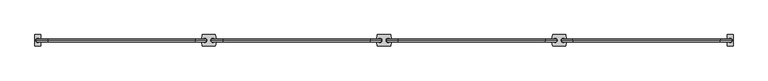
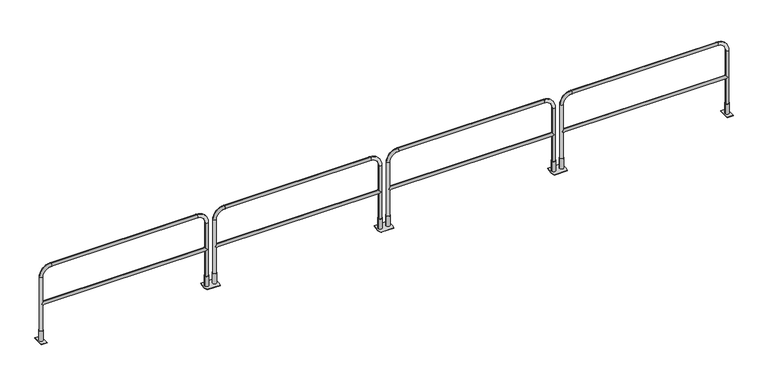
"""IFC4 building model written with IfcOpenShell, lengths in millimetres: railing geometry."""

from ifc_helpers import new_model, si_unit, point, frame, frame_2d, origin, origin_with_axes, place, context, project, spatial, polyline, circle_curve, ellipse_curve, trimmed, segment, composite_curve, outline, extrude, source, transform, mapped, element, save
from ifc_brep_helpers import plane_surface, cylinder_surface, revolved_surface, advanced_brep


def railing_99f3a7a2(model_context):
    return source(origin(), model_context, "Body", "SolidModel", [
        extrude(outline(composite_curve([segment(trimmed(circle_curve(frame_2d((67475.572395, 12393.0551937)), 304.8), [point((67770.693726, 12469.2551937))], [point((67770.693726, 12316.8551937))], False, "CARTESIAN"), True, "CONTINUOUS"), segment(polyline([(67770.693726, 12316.8551937), (67592.893726, 12316.8551937)]), True, "CONTINUOUS"), segment(trimmed(circle_curve(frame_2d((67888.015057, 12393.0551937)), 304.8), [point((67592.893726, 12316.8551937))], [point((67592.893726, 12469.2551937))], False, "CARTESIAN"), True, "CONTINUOUS"), segment(polyline([(67592.893726, 12469.2551937), (67770.693726, 12469.2551937)]), True, "CONTINUOUS")], self_intersect=False)), origin_with_axes(), (0.0, 0.0, 1.0), 6.35),
        extrude(outline(composite_curve([segment(trimmed(circle_curve(frame_2d((67735.6752627, 12393.0551937)), 26.9875), [point((67708.6877627, 12393.0551937))], [point((67762.6627627, 12393.0551937))], False, "CARTESIAN"), True, "CONTINUOUS"), segment(trimmed(circle_curve(frame_2d((67735.6752627, 12393.0551937)), 26.9875), [point((67762.6627627, 12393.0551937))], [point((67708.6877627, 12393.0551937))], False, "CARTESIAN"), True, "CONTINUOUS")], self_intersect=False), holes=[composite_curve([segment(trimmed(circle_curve(frame_2d((67735.6752627, 12393.0551937)), 20.6375), [point((67715.0377627, 12393.0551937))], [point((67756.3127627, 12393.0551937))], True, "CARTESIAN"), True, "CONTINUOUS"), segment(trimmed(circle_curve(frame_2d((67735.6752627, 12393.0551937)), 20.6375), [point((67756.3127627, 12393.0551937))], [point((67715.0377627, 12393.0551937))], True, "CARTESIAN"), True, "CONTINUOUS")], self_intersect=False)]), frame((0.0, 0.0, 6.35), z_axis=(0.0, 0.0, 1.0), x_axis=(1.0, 0.0, 0.0)), (0.0, 0.0, 1.0), 146.05),
        extrude(outline(composite_curve([segment(trimmed(circle_curve(frame_2d((67627.9121893, 12393.0551937)), 26.9875), [point((67600.9246893, 12393.0551937))], [point((67654.8996893, 12393.0551937))], False, "CARTESIAN"), True, "CONTINUOUS"), segment(trimmed(circle_curve(frame_2d((67627.9121893, 12393.0551937)), 26.9875), [point((67654.8996893, 12393.0551937))], [point((67600.9246893, 12393.0551937))], False, "CARTESIAN"), True, "CONTINUOUS")], self_intersect=False), holes=[composite_curve([segment(trimmed(circle_curve(frame_2d((67627.9121893, 12393.0551937)), 20.6375), [point((67607.2746893, 12393.0551937))], [point((67648.5496893, 12393.0551937))], True, "CARTESIAN"), True, "CONTINUOUS"), segment(trimmed(circle_curve(frame_2d((67627.9121893, 12393.0551937)), 20.6375), [point((67648.5496893, 12393.0551937))], [point((67607.2746893, 12393.0551937))], True, "CARTESIAN"), True, "CONTINUOUS")], self_intersect=False)]), frame((0.0, 0.0, 6.35), z_axis=(0.0, 0.0, 1.0), x_axis=(1.0, 0.0, 0.0)), (0.0, 0.0, 1.0), 146.05),
        extrude(outline(composite_curve([segment(polyline([(69945.3817994, 12469.2551937), (70123.1817994, 12469.2551937)]), True, "CONTINUOUS"), segment(trimmed(circle_curve(frame_2d((69828.0604685, 12393.0551937)), 304.8), [point((70123.1817994, 12469.2551937))], [point((70123.1817994, 12316.8551937))], False, "CARTESIAN"), True, "CONTINUOUS"), segment(polyline([(70123.1817994, 12316.8551937), (69945.3817994, 12316.8551937)]), True, "CONTINUOUS"), segment(trimmed(circle_curve(frame_2d((70240.5031304, 12393.0551937)), 304.8), [point((69945.3817994, 12316.8551937))], [point((69945.3817994, 12469.2551937))], False, "CARTESIAN"), True, "CONTINUOUS")], self_intersect=False)), origin_with_axes(), (0.0, 0.0, 1.0), 6.35),
        extrude(outline(composite_curve([segment(trimmed(circle_curve(frame_2d((69980.4002627, 12393.0551937)), 26.9875), [point((70007.3877627, 12393.0551937))], [point((69953.4127627, 12393.0551937))], False, "CARTESIAN"), True, "CONTINUOUS"), segment(trimmed(circle_curve(frame_2d((69980.4002627, 12393.0551937)), 26.9875), [point((69953.4127627, 12393.0551937))], [point((70007.3877627, 12393.0551937))], False, "CARTESIAN"), True, "CONTINUOUS")], self_intersect=False), holes=[composite_curve([segment(trimmed(circle_curve(frame_2d((69980.4002627, 12393.0551937)), 20.6375), [point((70001.0377627, 12393.0551937))], [point((69959.7627627, 12393.0551937))], True, "CARTESIAN"), True, "CONTINUOUS"), segment(trimmed(circle_curve(frame_2d((69980.4002627, 12393.0551937)), 20.6375), [point((69959.7627627, 12393.0551937))], [point((70001.0377627, 12393.0551937))], True, "CARTESIAN"), True, "CONTINUOUS")], self_intersect=False)]), frame((0.0, 0.0, 6.35), z_axis=(0.0, 0.0, 1.0), x_axis=(1.0, 0.0, 0.0)), (0.0, 0.0, 1.0), 146.05),
        extrude(outline(composite_curve([segment(trimmed(circle_curve(frame_2d((70088.1633362, 12393.0551937)), 26.9875), [point((70115.1508362, 12393.0551937))], [point((70061.1758362, 12393.0551937))], False, "CARTESIAN"), True, "CONTINUOUS"), segment(trimmed(circle_curve(frame_2d((70088.1633362, 12393.0551937)), 26.9875), [point((70061.1758362, 12393.0551937))], [point((70115.1508362, 12393.0551937))], False, "CARTESIAN"), True, "CONTINUOUS")], self_intersect=False), holes=[composite_curve([segment(trimmed(circle_curve(frame_2d((70088.1633362, 12393.0551937)), 20.6375), [point((70108.8008362, 12393.0551937))], [point((70067.5258362, 12393.0551937))], True, "CARTESIAN"), True, "CONTINUOUS"), segment(trimmed(circle_curve(frame_2d((70088.1633362, 12393.0551937)), 20.6375), [point((70067.5258362, 12393.0551937))], [point((70108.8008362, 12393.0551937))], True, "CARTESIAN"), True, "CONTINUOUS")], self_intersect=False)]), frame((0.0, 0.0, 6.35), z_axis=(0.0, 0.0, 1.0), x_axis=(1.0, 0.0, 0.0)), (0.0, 0.0, 1.0), 146.05),
        advanced_brep(
        [(67756.3127627, 12393.0551937, 554.0375), (67735.6752627, 12372.4176937, 533.4), (67756.3127627, 12393.0551937, 512.7625), (69959.7627627, 12393.0551937, 512.7625), (69980.4002627, 12372.4176937, 533.4), (69959.7627627, 12393.0551937, 554.0375), (69980.4002627, 12413.6926937, 533.4), (67735.6752627, 12413.6926937, 533.4), (67715.0377627, 12393.0551937, 6.35), (67756.3127627, 12393.0551937, 6.35), (67756.3127627, 12393.0551937, 914.4), (67715.0377627, 12393.0551937, 914.4), (67867.4377627, 12393.0551937, 1025.525), (67867.4377627, 12393.0551937, 1066.8), (69848.6377627, 12393.0551937, 1025.525), (69848.6377627, 12393.0551937, 1066.8), (69959.7627627, 12393.0551937, 914.4), (70001.0377627, 12393.0551937, 914.4), (70001.0377627, 12393.0551937, 6.35), (69959.7627627, 12393.0551937, 6.35)],
        [
            (0, 1, ellipse_curve(frame((67735.6752627, 12393.0551937, 533.4), z_axis=(0.7071067811865475, 0.0, -0.7071067811865475), x_axis=(-0.7071067811865476, 0.0, -0.7071067811865474)), 29.1858324, 20.6375)),
            (1, 2, ellipse_curve(frame((67735.6752627, 12393.0551937, 533.4), z_axis=(0.7071067811865475, 0.0, 0.7071067811865475), x_axis=(-0.7071067811865476, 0.0, 0.7071067811865474)), 29.1858324, 20.6375)),
            (2, 3),
            (3, 4, ellipse_curve(frame((69980.4002627, 12393.0551937, 533.4), z_axis=(-0.7071067811865475, 0.0, 0.7071067811865475), x_axis=(-0.7071067811865476, 0.0, -0.7071067811865474)), 29.1858324, 20.6375)),
            (4, 5, ellipse_curve(frame((69980.4002627, 12393.0551937, 533.4), z_axis=(-0.7071067811865475, 0.0, -0.7071067811865475), x_axis=(-0.7071067811865476, 0.0, 0.7071067811865474)), 29.1858324, 20.6375)),
            (5, 0),
            (5, 6, ellipse_curve(frame((69980.4002627, 12393.0551937, 533.4), z_axis=(-0.7071067811865475, 0.0, -0.7071067811865475), x_axis=(-0.7071067811865476, 0.0, 0.7071067811865474)), 29.1858324, 20.6375)),
            (6, 3, ellipse_curve(frame((69980.4002627, 12393.0551937, 533.4), z_axis=(-0.7071067811865475, 0.0, 0.7071067811865475), x_axis=(-0.7071067811865476, 0.0, -0.7071067811865474)), 29.1858324, 20.6375)),
            (2, 7, ellipse_curve(frame((67735.6752627, 12393.0551937, 533.4), z_axis=(0.7071067811865475, 0.0, 0.7071067811865475), x_axis=(-0.7071067811865476, 0.0, 0.7071067811865474)), 29.1858324, 20.6375)),
            (7, 0, ellipse_curve(frame((67735.6752627, 12393.0551937, 533.4), z_axis=(0.7071067811865475, 0.0, -0.7071067811865475), x_axis=(-0.7071067811865476, 0.0, -0.7071067811865474)), 29.1858324, 20.6375)),
            (8, 9, circle_curve(frame((67735.6752627, 12393.0551937, 6.35), z_axis=(0.0, 0.0, -1.0), x_axis=(1.0, 0.0, 0.0)), 20.6375)),
            (9, 8, circle_curve(frame((67735.6752627, 12393.0551937, 6.35), z_axis=(0.0, 0.0, -1.0), x_axis=(1.0, 0.0, 0.0)), 20.6375)),
            (9, 2),
            (0, 10),
            (10, 11, circle_curve(frame((67735.6752627, 12393.0551937, 914.4), z_axis=(0.0, 0.0, -1.0), x_axis=(1.0, 0.0, 0.0)), 20.6375)),
            (11, 8),
            (11, 10, circle_curve(frame((67735.6752627, 12393.0551937, 914.4), z_axis=(0.0, 0.0, -1.0), x_axis=(1.0, 0.0, 0.0)), 20.6375)),
            (10, 12, circle_curve(frame((67867.4377627, 12393.0551937, 914.4), z_axis=(0.0, 1.0, 0.0), x_axis=(-1.0, 0.0, 0.0)), 111.125)),
            (12, 13, circle_curve(frame((67867.4377627, 12393.0551937, 1046.1625), z_axis=(-1.0, 0.0, 0.0), x_axis=(0.0, 0.0, -1.0)), 20.6375)),
            (13, 11, circle_curve(frame((67867.4377627, 12393.0551937, 914.4), z_axis=(0.0, -1.0, 0.0), x_axis=(-1.0, 0.0, 0.0)), 152.4)),
            (13, 12, circle_curve(frame((67867.4377627, 12393.0551937, 1046.1625), z_axis=(-1.0, 0.0, 0.0), x_axis=(0.0, 0.0, -1.0)), 20.6375)),
            (12, 14),
            (14, 15, circle_curve(frame((69848.6377627, 12393.0551937, 1046.1625), z_axis=(-1.0, 0.0, 0.0), x_axis=(0.0, 0.0, -1.0)), 20.6375)),
            (15, 13),
            (15, 14, circle_curve(frame((69848.6377627, 12393.0551937, 1046.1625), z_axis=(-1.0, 0.0, 0.0), x_axis=(0.0, 0.0, -1.0)), 20.6375)),
            (14, 16, circle_curve(frame((69848.6377627, 12393.0551937, 914.4), z_axis=(0.0, 1.0, 0.0), x_axis=(0.0, 0.0, 1.0)), 111.125)),
            (16, 17, circle_curve(frame((69980.4002627, 12393.0551937, 914.4), z_axis=(0.0, 0.0, 1.0), x_axis=(-1.0, 0.0, 0.0)), 20.6375)),
            (17, 15, circle_curve(frame((69848.6377627, 12393.0551937, 914.4), z_axis=(0.0, -1.0, 0.0), x_axis=(0.0, 0.0, 1.0)), 152.4)),
            (17, 16, circle_curve(frame((69980.4002627, 12393.0551937, 914.4), z_axis=(0.0, 0.0, 1.0), x_axis=(-1.0, 0.0, 0.0)), 20.6375)),
            (18, 19, circle_curve(frame((69980.4002627, 12393.0551937, 6.35), z_axis=(0.0, 0.0, -1.0), x_axis=(-1.0, 0.0, 0.0)), 20.6375)),
            (19, 18, circle_curve(frame((69980.4002627, 12393.0551937, 6.35), z_axis=(0.0, 0.0, -1.0), x_axis=(-1.0, 0.0, 0.0)), 20.6375)),
            (16, 5),
            (3, 19),
            (18, 17),
        ],
        [
            cylinder_surface(frame((67735.6752627, 12393.0551937, 533.4), z_axis=(-1.0, 0.0, 0.0), x_axis=(0.0, 0.0, -1.0)), 20.6375),
            plane_surface(frame((67715.0377627, 12393.0551937, 6.35), z_axis=(0.0, 0.0, -1.0), x_axis=(0.0, -1.0, 0.0))),
            cylinder_surface(frame((67735.6752627, 12393.0551937, 6.35), z_axis=(0.0, 0.0, -1.0), x_axis=(1.0, 0.0, 0.0)), 20.6375),
            revolved_surface(trimmed(ellipse_curve(frame((67735.6752627, 12393.0551937, 914.4), z_axis=(0.0, 0.0, 1.0), x_axis=(1.0, 0.0, 0.0)), 20.6375, 20.6375), [point((67715.0377627, 12393.0551937, 914.4))], [point((67756.3127627, 12393.0551937, 914.4))], True, "CARTESIAN"), (67867.4377627, 12393.0551937, 914.4), (0.0, -1.0, 0.0)),
            revolved_surface(trimmed(ellipse_curve(frame((67735.6752627, 12393.0551937, 914.4), z_axis=(0.0, 0.0, 1.0), x_axis=(1.0, 0.0, 0.0)), 20.6375, 20.6375), [point((67756.3127627, 12393.0551937, 914.4))], [point((67715.0377627, 12393.0551937, 914.4))], True, "CARTESIAN"), (67867.4377627, 12393.0551937, 914.4), (0.0, -1.0, 0.0)),
            cylinder_surface(frame((67867.4377627, 12393.0551937, 1046.1625), z_axis=(-1.0, 0.0, 0.0), x_axis=(0.0, 0.0, -1.0)), 20.6375),
            revolved_surface(trimmed(ellipse_curve(frame((69848.6377627, 12393.0551937, 1046.1625), z_axis=(1.0, 0.0, 0.0), x_axis=(0.0, 0.0, -1.0)), 20.6375, 20.6375), [point((69848.6377627, 12393.0551937, 1066.8))], [point((69848.6377627, 12393.0551937, 1025.525))], True, "CARTESIAN"), (69848.6377627, 12393.0551937, 914.4), (0.0, -1.0, 0.0)),
            revolved_surface(trimmed(ellipse_curve(frame((69848.6377627, 12393.0551937, 1046.1625), z_axis=(1.0, 0.0, 0.0), x_axis=(0.0, 0.0, -1.0)), 20.6375, 20.6375), [point((69848.6377627, 12393.0551937, 1025.525))], [point((69848.6377627, 12393.0551937, 1066.8))], True, "CARTESIAN"), (69848.6377627, 12393.0551937, 914.4), (0.0, -1.0, 0.0)),
            plane_surface(frame((70001.0377627, 12393.0551937, 6.35), z_axis=(0.0, 0.0, -1.0), x_axis=(0.0, -1.0, 0.0))),
            cylinder_surface(frame((69980.4002627, 12393.0551937, 914.4), z_axis=(0.0, 0.0, 1.0), x_axis=(-1.0, 0.0, 0.0)), 20.6375),
        ],
        [
            (0, [[1, 2, 3, 4, 5, 6]]),
            (0, [[7, 8, -3, 9, 10, -6]]),
            (1, [[11, 12]]),
            (2, [[13, -2, -1, 14, 15, 16, -12]]),
            (2, [[-16, 17, -14, -10, -9, -13, -11]]),
            (3, [[18, 19, 20, -15]]),
            (4, [[-20, 21, -18, -17]]),
            (5, [[22, 23, 24, -19]]),
            (5, [[-24, 25, -22, -21]]),
            (6, [[26, 27, 28, -23]]),
            (7, [[-28, 29, -26, -25]]),
            (8, [[30, 31]]),
            (9, [[32, -5, -4, 33, -30, 34, -27]]),
            (9, [[-34, -31, -33, -8, -7, -32, -29]]),
        ],
    ),
        extrude(outline(composite_curve([segment(trimmed(circle_curve(frame_2d((65123.0958325, 12393.0551937)), 304.8), [point((65418.2171635, 12469.2551937))], [point((65418.2171635, 12316.8551937))], False, "CARTESIAN"), True, "CONTINUOUS"), segment(polyline([(65418.2171635, 12316.8551937), (65240.4171635, 12316.8551937)]), True, "CONTINUOUS"), segment(trimmed(circle_curve(frame_2d((65535.5384945, 12393.0551937)), 304.8), [point((65240.4171635, 12316.8551937))], [point((65240.4171635, 12469.2551937))], False, "CARTESIAN"), True, "CONTINUOUS"), segment(polyline([(65240.4171635, 12469.2551937), (65418.2171635, 12469.2551937)]), True, "CONTINUOUS")], self_intersect=False)), origin_with_axes(), (0.0, 0.0, 1.0), 6.35),
        extrude(outline(composite_curve([segment(trimmed(circle_curve(frame_2d((65383.1987002, 12393.0551937)), 26.9875), [point((65356.2112002, 12393.0551937))], [point((65410.1862002, 12393.0551937))], False, "CARTESIAN"), True, "CONTINUOUS"), segment(trimmed(circle_curve(frame_2d((65383.1987002, 12393.0551937)), 26.9875), [point((65410.1862002, 12393.0551937))], [point((65356.2112002, 12393.0551937))], False, "CARTESIAN"), True, "CONTINUOUS")], self_intersect=False), holes=[composite_curve([segment(trimmed(circle_curve(frame_2d((65383.1987002, 12393.0551937)), 20.6375), [point((65362.5612002, 12393.0551937))], [point((65403.8362002, 12393.0551937))], True, "CARTESIAN"), True, "CONTINUOUS"), segment(trimmed(circle_curve(frame_2d((65383.1987002, 12393.0551937)), 20.6375), [point((65403.8362002, 12393.0551937))], [point((65362.5612002, 12393.0551937))], True, "CARTESIAN"), True, "CONTINUOUS")], self_intersect=False)]), frame((0.0, 0.0, 6.35), z_axis=(0.0, 0.0, 1.0), x_axis=(1.0, 0.0, 0.0)), (0.0, 0.0, 1.0), 146.05),
        extrude(outline(composite_curve([segment(trimmed(circle_curve(frame_2d((65275.4356268, 12393.0551937)), 26.9875), [point((65248.4481268, 12393.0551937))], [point((65302.4231268, 12393.0551937))], False, "CARTESIAN"), True, "CONTINUOUS"), segment(trimmed(circle_curve(frame_2d((65275.4356268, 12393.0551937)), 26.9875), [point((65302.4231268, 12393.0551937))], [point((65248.4481268, 12393.0551937))], False, "CARTESIAN"), True, "CONTINUOUS")], self_intersect=False), holes=[composite_curve([segment(trimmed(circle_curve(frame_2d((65275.4356268, 12393.0551937)), 20.6375), [point((65254.7981268, 12393.0551937))], [point((65296.0731268, 12393.0551937))], True, "CARTESIAN"), True, "CONTINUOUS"), segment(trimmed(circle_curve(frame_2d((65275.4356268, 12393.0551937)), 20.6375), [point((65296.0731268, 12393.0551937))], [point((65254.7981268, 12393.0551937))], True, "CARTESIAN"), True, "CONTINUOUS")], self_intersect=False)]), frame((0.0, 0.0, 6.35), z_axis=(0.0, 0.0, 1.0), x_axis=(1.0, 0.0, 0.0)), (0.0, 0.0, 1.0), 146.05),
        extrude(outline(composite_curve([segment(polyline([(67592.9052369, 12469.2551937), (67770.7052369, 12469.2551937)]), True, "CONTINUOUS"), segment(trimmed(circle_curve(frame_2d((67475.583906, 12393.0551937)), 304.8), [point((67770.7052369, 12469.2551937))], [point((67770.7052369, 12316.8551937))], False, "CARTESIAN"), True, "CONTINUOUS"), segment(polyline([(67770.7052369, 12316.8551937), (67592.9052369, 12316.8551937)]), True, "CONTINUOUS"), segment(trimmed(circle_curve(frame_2d((67888.0265679, 12393.0551937)), 304.8), [point((67592.9052369, 12316.8551937))], [point((67592.9052369, 12469.2551937))], False, "CARTESIAN"), True, "CONTINUOUS")], self_intersect=False)), origin_with_axes(), (0.0, 0.0, 1.0), 6.35),
        extrude(outline(composite_curve([segment(trimmed(circle_curve(frame_2d((67627.9237002, 12393.0551937)), 26.9875), [point((67654.9112002, 12393.0551937))], [point((67600.9362002, 12393.0551937))], False, "CARTESIAN"), True, "CONTINUOUS"), segment(trimmed(circle_curve(frame_2d((67627.9237002, 12393.0551937)), 26.9875), [point((67600.9362002, 12393.0551937))], [point((67654.9112002, 12393.0551937))], False, "CARTESIAN"), True, "CONTINUOUS")], self_intersect=False), holes=[composite_curve([segment(trimmed(circle_curve(frame_2d((67627.9237002, 12393.0551937)), 20.6375), [point((67648.5612002, 12393.0551937))], [point((67607.2862002, 12393.0551937))], True, "CARTESIAN"), True, "CONTINUOUS"), segment(trimmed(circle_curve(frame_2d((67627.9237002, 12393.0551937)), 20.6375), [point((67607.2862002, 12393.0551937))], [point((67648.5612002, 12393.0551937))], True, "CARTESIAN"), True, "CONTINUOUS")], self_intersect=False)]), frame((0.0, 0.0, 6.35), z_axis=(0.0, 0.0, 1.0), x_axis=(1.0, 0.0, 0.0)), (0.0, 0.0, 1.0), 146.05),
        extrude(outline(composite_curve([segment(trimmed(circle_curve(frame_2d((67735.6867737, 12393.0551937)), 26.9875), [point((67762.6742737, 12393.0551937))], [point((67708.6992737, 12393.0551937))], False, "CARTESIAN"), True, "CONTINUOUS"), segment(trimmed(circle_curve(frame_2d((67735.6867737, 12393.0551937)), 26.9875), [point((67708.6992737, 12393.0551937))], [point((67762.6742737, 12393.0551937))], False, "CARTESIAN"), True, "CONTINUOUS")], self_intersect=False), holes=[composite_curve([segment(trimmed(circle_curve(frame_2d((67735.6867737, 12393.0551937)), 20.6375), [point((67756.3242737, 12393.0551937))], [point((67715.0492737, 12393.0551937))], True, "CARTESIAN"), True, "CONTINUOUS"), segment(trimmed(circle_curve(frame_2d((67735.6867737, 12393.0551937)), 20.6375), [point((67715.0492737, 12393.0551937))], [point((67756.3242737, 12393.0551937))], True, "CARTESIAN"), True, "CONTINUOUS")], self_intersect=False)]), frame((0.0, 0.0, 6.35), z_axis=(0.0, 0.0, 1.0), x_axis=(1.0, 0.0, 0.0)), (0.0, 0.0, 1.0), 146.05),
        advanced_brep(
        [(65403.8362002, 12393.0551937, 554.0375), (65383.1987002, 12372.4176937, 533.4), (65403.8362002, 12393.0551937, 512.7625), (67607.2862002, 12393.0551937, 512.7625), (67627.9237002, 12372.4176937, 533.4), (67607.2862002, 12393.0551937, 554.0375), (67627.9237002, 12413.6926937, 533.4), (65383.1987002, 12413.6926937, 533.4), (65362.5612002, 12393.0551937, 6.35), (65403.8362002, 12393.0551937, 6.35), (65403.8362002, 12393.0551937, 914.4), (65362.5612002, 12393.0551937, 914.4), (65514.9612002, 12393.0551937, 1025.525), (65514.9612002, 12393.0551937, 1066.8), (67496.1612002, 12393.0551937, 1025.525), (67496.1612002, 12393.0551937, 1066.8), (67607.2862002, 12393.0551937, 914.4), (67648.5612002, 12393.0551937, 914.4), (67648.5612002, 12393.0551937, 6.35), (67607.2862002, 12393.0551937, 6.35)],
        [
            (0, 1, ellipse_curve(frame((65383.1987002, 12393.0551937, 533.4), z_axis=(0.7071067811865475, 0.0, -0.7071067811865475), x_axis=(-0.7071067811865476, 0.0, -0.7071067811865474)), 29.1858324, 20.6375)),
            (1, 2, ellipse_curve(frame((65383.1987002, 12393.0551937, 533.4), z_axis=(0.7071067811865475, 0.0, 0.7071067811865475), x_axis=(-0.7071067811865476, 0.0, 0.7071067811865474)), 29.1858324, 20.6375)),
            (2, 3),
            (3, 4, ellipse_curve(frame((67627.9237002, 12393.0551937, 533.4), z_axis=(-0.7071067811865475, 0.0, 0.7071067811865475), x_axis=(-0.7071067811865476, 0.0, -0.7071067811865474)), 29.1858324, 20.6375)),
            (4, 5, ellipse_curve(frame((67627.9237002, 12393.0551937, 533.4), z_axis=(-0.7071067811865475, 0.0, -0.7071067811865475), x_axis=(-0.7071067811865476, 0.0, 0.7071067811865474)), 29.1858324, 20.6375)),
            (5, 0),
            (5, 6, ellipse_curve(frame((67627.9237002, 12393.0551937, 533.4), z_axis=(-0.7071067811865475, 0.0, -0.7071067811865475), x_axis=(-0.7071067811865476, 0.0, 0.7071067811865474)), 29.1858324, 20.6375)),
            (6, 3, ellipse_curve(frame((67627.9237002, 12393.0551937, 533.4), z_axis=(-0.7071067811865475, 0.0, 0.7071067811865475), x_axis=(-0.7071067811865476, 0.0, -0.7071067811865474)), 29.1858324, 20.6375)),
            (2, 7, ellipse_curve(frame((65383.1987002, 12393.0551937, 533.4), z_axis=(0.7071067811865475, 0.0, 0.7071067811865475), x_axis=(-0.7071067811865476, 0.0, 0.7071067811865474)), 29.1858324, 20.6375)),
            (7, 0, ellipse_curve(frame((65383.1987002, 12393.0551937, 533.4), z_axis=(0.7071067811865475, 0.0, -0.7071067811865475), x_axis=(-0.7071067811865476, 0.0, -0.7071067811865474)), 29.1858324, 20.6375)),
            (8, 9, circle_curve(frame((65383.1987002, 12393.0551937, 6.35), z_axis=(0.0, 0.0, -1.0), x_axis=(1.0, 0.0, 0.0)), 20.6375)),
            (9, 8, circle_curve(frame((65383.1987002, 12393.0551937, 6.35), z_axis=(0.0, 0.0, -1.0), x_axis=(1.0, 0.0, 0.0)), 20.6375)),
            (9, 2),
            (0, 10),
            (10, 11, circle_curve(frame((65383.1987002, 12393.0551937, 914.4), z_axis=(0.0, 0.0, -1.0), x_axis=(1.0, 0.0, 0.0)), 20.6375)),
            (11, 8),
            (11, 10, circle_curve(frame((65383.1987002, 12393.0551937, 914.4), z_axis=(0.0, 0.0, -1.0), x_axis=(1.0, 0.0, 0.0)), 20.6375)),
            (10, 12, circle_curve(frame((65514.9612002, 12393.0551937, 914.4), z_axis=(0.0, 1.0, 0.0), x_axis=(-1.0, 0.0, 0.0)), 111.125)),
            (12, 13, circle_curve(frame((65514.9612002, 12393.0551937, 1046.1625), z_axis=(-1.0, 0.0, 0.0), x_axis=(0.0, 0.0, -1.0)), 20.6375)),
            (13, 11, circle_curve(frame((65514.9612002, 12393.0551937, 914.4), z_axis=(0.0, -1.0, 0.0), x_axis=(-1.0, 0.0, 0.0)), 152.4)),
            (13, 12, circle_curve(frame((65514.9612002, 12393.0551937, 1046.1625), z_axis=(-1.0, 0.0, 0.0), x_axis=(0.0, 0.0, -1.0)), 20.6375)),
            (12, 14),
            (14, 15, circle_curve(frame((67496.1612002, 12393.0551937, 1046.1625), z_axis=(-1.0, 0.0, 0.0), x_axis=(0.0, 0.0, -1.0)), 20.6375)),
            (15, 13),
            (15, 14, circle_curve(frame((67496.1612002, 12393.0551937, 1046.1625), z_axis=(-1.0, 0.0, 0.0), x_axis=(0.0, 0.0, -1.0)), 20.6375)),
            (14, 16, circle_curve(frame((67496.1612002, 12393.0551937, 914.4), z_axis=(0.0, 1.0, 0.0), x_axis=(0.0, 0.0, 1.0)), 111.125)),
            (16, 17, circle_curve(frame((67627.9237002, 12393.0551937, 914.4), z_axis=(0.0, 0.0, 1.0), x_axis=(-1.0, 0.0, 0.0)), 20.6375)),
            (17, 15, circle_curve(frame((67496.1612002, 12393.0551937, 914.4), z_axis=(0.0, -1.0, 0.0), x_axis=(0.0, 0.0, 1.0)), 152.4)),
            (17, 16, circle_curve(frame((67627.9237002, 12393.0551937, 914.4), z_axis=(0.0, 0.0, 1.0), x_axis=(-1.0, 0.0, 0.0)), 20.6375)),
            (18, 19, circle_curve(frame((67627.9237002, 12393.0551937, 6.35), z_axis=(0.0, 0.0, -1.0), x_axis=(-1.0, 0.0, 0.0)), 20.6375)),
            (19, 18, circle_curve(frame((67627.9237002, 12393.0551937, 6.35), z_axis=(0.0, 0.0, -1.0), x_axis=(-1.0, 0.0, 0.0)), 20.6375)),
            (16, 5),
            (3, 19),
            (18, 17),
        ],
        [
            cylinder_surface(frame((65383.1987002, 12393.0551937, 533.4), z_axis=(-1.0, 0.0, 0.0), x_axis=(0.0, 0.0, -1.0)), 20.6375),
            plane_surface(frame((65362.5612002, 12393.0551937, 6.35), z_axis=(0.0, 0.0, -1.0), x_axis=(0.0, -1.0, 0.0))),
            cylinder_surface(frame((65383.1987002, 12393.0551937, 6.35), z_axis=(0.0, 0.0, -1.0), x_axis=(1.0, 0.0, 0.0)), 20.6375),
            revolved_surface(trimmed(ellipse_curve(frame((65383.1987002, 12393.0551937, 914.4), z_axis=(0.0, 0.0, 1.0), x_axis=(1.0, 0.0, 0.0)), 20.6375, 20.6375), [point((65362.5612002, 12393.0551937, 914.4))], [point((65403.8362002, 12393.0551937, 914.4))], True, "CARTESIAN"), (65514.9612002, 12393.0551937, 914.4), (0.0, -1.0, 0.0)),
            revolved_surface(trimmed(ellipse_curve(frame((65383.1987002, 12393.0551937, 914.4), z_axis=(0.0, 0.0, 1.0), x_axis=(1.0, 0.0, 0.0)), 20.6375, 20.6375), [point((65403.8362002, 12393.0551937, 914.4))], [point((65362.5612002, 12393.0551937, 914.4))], True, "CARTESIAN"), (65514.9612002, 12393.0551937, 914.4), (0.0, -1.0, 0.0)),
            cylinder_surface(frame((65514.9612002, 12393.0551937, 1046.1625), z_axis=(-1.0, 0.0, 0.0), x_axis=(0.0, 0.0, -1.0)), 20.6375),
            revolved_surface(trimmed(ellipse_curve(frame((67496.1612002, 12393.0551937, 1046.1625), z_axis=(1.0, 0.0, 0.0), x_axis=(0.0, 0.0, -1.0)), 20.6375, 20.6375), [point((67496.1612002, 12393.0551937, 1066.8))], [point((67496.1612002, 12393.0551937, 1025.525))], True, "CARTESIAN"), (67496.1612002, 12393.0551937, 914.4), (0.0, -1.0, 0.0)),
            revolved_surface(trimmed(ellipse_curve(frame((67496.1612002, 12393.0551937, 1046.1625), z_axis=(1.0, 0.0, 0.0), x_axis=(0.0, 0.0, -1.0)), 20.6375, 20.6375), [point((67496.1612002, 12393.0551937, 1025.525))], [point((67496.1612002, 12393.0551937, 1066.8))], True, "CARTESIAN"), (67496.1612002, 12393.0551937, 914.4), (0.0, -1.0, 0.0)),
            plane_surface(frame((67648.5612002, 12393.0551937, 6.35), z_axis=(0.0, 0.0, -1.0), x_axis=(0.0, -1.0, 0.0))),
            cylinder_surface(frame((67627.9237002, 12393.0551937, 914.4), z_axis=(0.0, 0.0, 1.0), x_axis=(-1.0, 0.0, 0.0)), 20.6375),
        ],
        [
            (0, [[1, 2, 3, 4, 5, 6]]),
            (0, [[7, 8, -3, 9, 10, -6]]),
            (1, [[11, 12]]),
            (2, [[13, -2, -1, 14, 15, 16, -12]]),
            (2, [[-16, 17, -14, -10, -9, -13, -11]]),
            (3, [[18, 19, 20, -15]]),
            (4, [[-20, 21, -18, -17]]),
            (5, [[22, 23, 24, -19]]),
            (5, [[-24, 25, -22, -21]]),
            (6, [[26, 27, 28, -23]]),
            (7, [[-28, 29, -26, -25]]),
            (8, [[30, 31]]),
            (9, [[32, -5, -4, 33, -30, 34, -27]]),
            (9, [[-34, -31, -33, -8, -7, -32, -29]]),
        ],
    ),
        extrude(outline(polyline([(72294.7371377, 12469.2551937), (72370.9371377, 12469.2551937), (72370.9371377, 12316.8551937), (72294.7371377, 12316.8551937), (72294.7371377, 12469.2551937)])), origin_with_axes(), (0.0, 0.0, 1.0), 6.35),
        extrude(outline(composite_curve([segment(trimmed(circle_curve(frame_2d((72332.8371377, 12393.0551937)), 26.9875), [point((72359.8246377, 12393.0551937))], [point((72305.8496377, 12393.0551937))], False, "CARTESIAN"), True, "CONTINUOUS"), segment(trimmed(circle_curve(frame_2d((72332.8371377, 12393.0551937)), 26.9875), [point((72305.8496377, 12393.0551937))], [point((72359.8246377, 12393.0551937))], False, "CARTESIAN"), True, "CONTINUOUS")], self_intersect=False), holes=[composite_curve([segment(trimmed(circle_curve(frame_2d((72332.8371377, 12393.0551937)), 20.6375), [point((72353.4746377, 12393.0551937))], [point((72312.1996377, 12393.0551937))], True, "CARTESIAN"), True, "CONTINUOUS"), segment(trimmed(circle_curve(frame_2d((72332.8371377, 12393.0551937)), 20.6375), [point((72312.1996377, 12393.0551937))], [point((72353.4746377, 12393.0551937))], True, "CARTESIAN"), True, "CONTINUOUS")], self_intersect=False)]), frame((0.0, 0.0, 6.35), z_axis=(0.0, 0.0, 1.0), x_axis=(1.0, 0.0, 0.0)), (0.0, 0.0, 1.0), 146.05),
        advanced_brep(
        [(70108.7496377, 12393.0551937, 554.0375), (70088.1121377, 12372.4176937, 533.4), (70108.7496377, 12393.0551937, 512.7625), (72312.1996377, 12393.0551937, 512.7625), (72332.8371377, 12372.4176937, 533.4), (72312.1996377, 12393.0551937, 554.0375), (72332.8371377, 12413.6926937, 533.4), (70088.1121377, 12413.6926937, 533.4), (70067.4746377, 12393.0551937, 6.35), (70108.7496377, 12393.0551937, 6.35), (70108.7496377, 12393.0551937, 914.4), (70067.4746377, 12393.0551937, 914.4), (70219.8746377, 12393.0551937, 1025.525), (70219.8746377, 12393.0551937, 1066.8), (72201.0746377, 12393.0551937, 1025.525), (72201.0746377, 12393.0551937, 1066.8), (72312.1996377, 12393.0551937, 914.4), (72353.4746377, 12393.0551937, 914.4), (72353.4746377, 12393.0551937, 6.35), (72312.1996377, 12393.0551937, 6.35)],
        [
            (0, 1, ellipse_curve(frame((70088.1121377, 12393.0551937, 533.4), z_axis=(0.7071067811865475, 0.0, -0.7071067811865475), x_axis=(-0.7071067811865476, 0.0, -0.7071067811865474)), 29.1858324, 20.6375)),
            (1, 2, ellipse_curve(frame((70088.1121377, 12393.0551937, 533.4), z_axis=(0.7071067811865475, 0.0, 0.7071067811865475), x_axis=(-0.7071067811865476, 0.0, 0.7071067811865474)), 29.1858324, 20.6375)),
            (2, 3),
            (3, 4, ellipse_curve(frame((72332.8371377, 12393.0551937, 533.4), z_axis=(-0.7071067811865475, 0.0, 0.7071067811865475), x_axis=(-0.7071067811865476, 0.0, -0.7071067811865474)), 29.1858324, 20.6375)),
            (4, 5, ellipse_curve(frame((72332.8371377, 12393.0551937, 533.4), z_axis=(-0.7071067811865475, 0.0, -0.7071067811865475), x_axis=(-0.7071067811865476, 0.0, 0.7071067811865474)), 29.1858324, 20.6375)),
            (5, 0),
            (5, 6, ellipse_curve(frame((72332.8371377, 12393.0551937, 533.4), z_axis=(-0.7071067811865475, 0.0, -0.7071067811865475), x_axis=(-0.7071067811865476, 0.0, 0.7071067811865474)), 29.1858324, 20.6375)),
            (6, 3, ellipse_curve(frame((72332.8371377, 12393.0551937, 533.4), z_axis=(-0.7071067811865475, 0.0, 0.7071067811865475), x_axis=(-0.7071067811865476, 0.0, -0.7071067811865474)), 29.1858324, 20.6375)),
            (2, 7, ellipse_curve(frame((70088.1121377, 12393.0551937, 533.4), z_axis=(0.7071067811865475, 0.0, 0.7071067811865475), x_axis=(-0.7071067811865476, 0.0, 0.7071067811865474)), 29.1858324, 20.6375)),
            (7, 0, ellipse_curve(frame((70088.1121377, 12393.0551937, 533.4), z_axis=(0.7071067811865475, 0.0, -0.7071067811865475), x_axis=(-0.7071067811865476, 0.0, -0.7071067811865474)), 29.1858324, 20.6375)),
            (8, 9, circle_curve(frame((70088.1121377, 12393.0551937, 6.35), z_axis=(0.0, 0.0, -1.0), x_axis=(1.0, 0.0, 0.0)), 20.6375)),
            (9, 8, circle_curve(frame((70088.1121377, 12393.0551937, 6.35), z_axis=(0.0, 0.0, -1.0), x_axis=(1.0, 0.0, 0.0)), 20.6375)),
            (9, 2),
            (0, 10),
            (10, 11, circle_curve(frame((70088.1121377, 12393.0551937, 914.4), z_axis=(0.0, 0.0, -1.0), x_axis=(1.0, 0.0, 0.0)), 20.6375)),
            (11, 8),
            (11, 10, circle_curve(frame((70088.1121377, 12393.0551937, 914.4), z_axis=(0.0, 0.0, -1.0), x_axis=(1.0, 0.0, 0.0)), 20.6375)),
            (10, 12, circle_curve(frame((70219.8746377, 12393.0551937, 914.4), z_axis=(0.0, 1.0, 0.0), x_axis=(-1.0, 0.0, 0.0)), 111.125)),
            (12, 13, circle_curve(frame((70219.8746377, 12393.0551937, 1046.1625), z_axis=(-1.0, 0.0, 0.0), x_axis=(0.0, 0.0, -1.0)), 20.6375)),
            (13, 11, circle_curve(frame((70219.8746377, 12393.0551937, 914.4), z_axis=(0.0, -1.0, 0.0), x_axis=(-1.0, 0.0, 0.0)), 152.4)),
            (13, 12, circle_curve(frame((70219.8746377, 12393.0551937, 1046.1625), z_axis=(-1.0, 0.0, 0.0), x_axis=(0.0, 0.0, -1.0)), 20.6375)),
            (12, 14),
            (14, 15, circle_curve(frame((72201.0746377, 12393.0551937, 1046.1625), z_axis=(-1.0, 0.0, 0.0), x_axis=(0.0, 0.0, -1.0)), 20.6375)),
            (15, 13),
            (15, 14, circle_curve(frame((72201.0746377, 12393.0551937, 1046.1625), z_axis=(-1.0, 0.0, 0.0), x_axis=(0.0, 0.0, -1.0)), 20.6375)),
            (14, 16, circle_curve(frame((72201.0746377, 12393.0551937, 914.4), z_axis=(0.0, 1.0, 0.0), x_axis=(0.0, 0.0, 1.0)), 111.125)),
            (16, 17, circle_curve(frame((72332.8371377, 12393.0551937, 914.4), z_axis=(0.0, 0.0, 1.0), x_axis=(-1.0, 0.0, 0.0)), 20.6375)),
            (17, 15, circle_curve(frame((72201.0746377, 12393.0551937, 914.4), z_axis=(0.0, -1.0, 0.0), x_axis=(0.0, 0.0, 1.0)), 152.4)),
            (17, 16, circle_curve(frame((72332.8371377, 12393.0551937, 914.4), z_axis=(0.0, 0.0, 1.0), x_axis=(-1.0, 0.0, 0.0)), 20.6375)),
            (18, 19, circle_curve(frame((72332.8371377, 12393.0551937, 6.35), z_axis=(0.0, 0.0, -1.0), x_axis=(-1.0, 0.0, 0.0)), 20.6375)),
            (19, 18, circle_curve(frame((72332.8371377, 12393.0551937, 6.35), z_axis=(0.0, 0.0, -1.0), x_axis=(-1.0, 0.0, 0.0)), 20.6375)),
            (16, 5),
            (3, 19),
            (18, 17),
        ],
        [
            cylinder_surface(frame((70088.1121377, 12393.0551937, 533.4), z_axis=(-1.0, 0.0, 0.0), x_axis=(0.0, 0.0, -1.0)), 20.6375),
            plane_surface(frame((70067.4746377, 12393.0551937, 6.35), z_axis=(0.0, 0.0, -1.0), x_axis=(0.0, -1.0, 0.0))),
            cylinder_surface(frame((70088.1121377, 12393.0551937, 6.35), z_axis=(0.0, 0.0, -1.0), x_axis=(1.0, 0.0, 0.0)), 20.6375),
            revolved_surface(trimmed(ellipse_curve(frame((70088.1121377, 12393.0551937, 914.4), z_axis=(0.0, 0.0, 1.0), x_axis=(1.0, 0.0, 0.0)), 20.6375, 20.6375), [point((70067.4746377, 12393.0551937, 914.4))], [point((70108.7496377, 12393.0551937, 914.4))], True, "CARTESIAN"), (70219.8746377, 12393.0551937, 914.4), (0.0, -1.0, 0.0)),
            revolved_surface(trimmed(ellipse_curve(frame((70088.1121377, 12393.0551937, 914.4), z_axis=(0.0, 0.0, 1.0), x_axis=(1.0, 0.0, 0.0)), 20.6375, 20.6375), [point((70108.7496377, 12393.0551937, 914.4))], [point((70067.4746377, 12393.0551937, 914.4))], True, "CARTESIAN"), (70219.8746377, 12393.0551937, 914.4), (0.0, -1.0, 0.0)),
            cylinder_surface(frame((70219.8746377, 12393.0551937, 1046.1625), z_axis=(-1.0, 0.0, 0.0), x_axis=(0.0, 0.0, -1.0)), 20.6375),
            revolved_surface(trimmed(ellipse_curve(frame((72201.0746377, 12393.0551937, 1046.1625), z_axis=(1.0, 0.0, 0.0), x_axis=(0.0, 0.0, -1.0)), 20.6375, 20.6375), [point((72201.0746377, 12393.0551937, 1066.8))], [point((72201.0746377, 12393.0551937, 1025.525))], True, "CARTESIAN"), (72201.0746377, 12393.0551937, 914.4), (0.0, -1.0, 0.0)),
            revolved_surface(trimmed(ellipse_curve(frame((72201.0746377, 12393.0551937, 1046.1625), z_axis=(1.0, 0.0, 0.0), x_axis=(0.0, 0.0, -1.0)), 20.6375, 20.6375), [point((72201.0746377, 12393.0551937, 1025.525))], [point((72201.0746377, 12393.0551937, 1066.8))], True, "CARTESIAN"), (72201.0746377, 12393.0551937, 914.4), (0.0, -1.0, 0.0)),
            plane_surface(frame((72353.4746377, 12393.0551937, 6.35), z_axis=(0.0, 0.0, -1.0), x_axis=(0.0, -1.0, 0.0))),
            cylinder_surface(frame((72332.8371377, 12393.0551937, 914.4), z_axis=(0.0, 0.0, 1.0), x_axis=(-1.0, 0.0, 0.0)), 20.6375),
        ],
        [
            (0, [[1, 2, 3, 4, 5, 6]]),
            (0, [[7, 8, -3, 9, 10, -6]]),
            (1, [[11, 12]]),
            (2, [[13, -2, -1, 14, 15, 16, -12]]),
            (2, [[-16, 17, -14, -10, -9, -13, -11]]),
            (3, [[18, 19, 20, -15]]),
            (4, [[-20, 21, -18, -17]]),
            (5, [[22, 23, 24, -19]]),
            (5, [[-24, 25, -22, -21]]),
            (6, [[26, 27, 28, -23]]),
            (7, [[-28, 29, -26, -25]]),
            (8, [[30, 31]]),
            (9, [[32, -5, -4, 33, -30, 34, -27]]),
            (9, [[-34, -31, -33, -8, -7, -32, -29]]),
        ],
    ),
        extrude(outline(polyline([(62992.6221377, 12469.2551937), (63068.8221377, 12469.2551937), (63068.8221377, 12316.8551937), (62992.6221377, 12316.8551937), (62992.6221377, 12469.2551937)])), origin_with_axes(), (0.0, 0.0, 1.0), 6.35),
        extrude(outline(composite_curve([segment(trimmed(circle_curve(frame_2d((63030.7221377, 12393.0551937)), 26.9875), [point((63057.7096377, 12393.0551937))], [point((63003.7346377, 12393.0551937))], False, "CARTESIAN"), True, "CONTINUOUS"), segment(trimmed(circle_curve(frame_2d((63030.7221377, 12393.0551937)), 26.9875), [point((63003.7346377, 12393.0551937))], [point((63057.7096377, 12393.0551937))], False, "CARTESIAN"), True, "CONTINUOUS")], self_intersect=False), holes=[composite_curve([segment(trimmed(circle_curve(frame_2d((63030.7221377, 12393.0551937)), 20.6375), [point((63051.3596377, 12393.0551937))], [point((63010.0846377, 12393.0551937))], True, "CARTESIAN"), True, "CONTINUOUS"), segment(trimmed(circle_curve(frame_2d((63030.7221377, 12393.0551937)), 20.6375), [point((63010.0846377, 12393.0551937))], [point((63051.3596377, 12393.0551937))], True, "CARTESIAN"), True, "CONTINUOUS")], self_intersect=False)]), frame((0.0, 0.0, 6.35), z_axis=(0.0, 0.0, 1.0), x_axis=(1.0, 0.0, 0.0)), (0.0, 0.0, 1.0), 146.05),
        advanced_brep(
        [(63051.3596377, 12393.0551937, 554.0375), (63030.7221377, 12372.4176937, 533.4), (63051.3596377, 12393.0551937, 512.7625), (65254.8096377, 12393.0551937, 512.7625), (65275.4471377, 12372.4176937, 533.4), (65254.8096377, 12393.0551937, 554.0375), (65275.4471377, 12413.6926937, 533.4), (63030.7221377, 12413.6926937, 533.4), (63010.0846377, 12393.0551937, 6.35), (63051.3596377, 12393.0551937, 6.35), (63051.3596377, 12393.0551937, 914.4), (63010.0846377, 12393.0551937, 914.4), (63162.4846377, 12393.0551937, 1025.525), (63162.4846377, 12393.0551937, 1066.8), (65143.6846377, 12393.0551937, 1025.525), (65143.6846377, 12393.0551937, 1066.8), (65254.8096377, 12393.0551937, 914.4), (65296.0846377, 12393.0551937, 914.4), (65296.0846377, 12393.0551937, 6.35), (65254.8096377, 12393.0551937, 6.35)],
        [
            (0, 1, ellipse_curve(frame((63030.7221377, 12393.0551937, 533.4), z_axis=(0.7071067811865475, 0.0, -0.7071067811865475), x_axis=(-0.7071067811865476, 0.0, -0.7071067811865474)), 29.1858324, 20.6375)),
            (1, 2, ellipse_curve(frame((63030.7221377, 12393.0551937, 533.4), z_axis=(0.7071067811865475, 0.0, 0.7071067811865475), x_axis=(-0.7071067811865476, 0.0, 0.7071067811865474)), 29.1858324, 20.6375)),
            (2, 3),
            (3, 4, ellipse_curve(frame((65275.4471377, 12393.0551937, 533.4), z_axis=(-0.7071067811865475, 0.0, 0.7071067811865475), x_axis=(-0.7071067811865476, 0.0, -0.7071067811865474)), 29.1858324, 20.6375)),
            (4, 5, ellipse_curve(frame((65275.4471377, 12393.0551937, 533.4), z_axis=(-0.7071067811865475, 0.0, -0.7071067811865475), x_axis=(-0.7071067811865476, 0.0, 0.7071067811865474)), 29.1858324, 20.6375)),
            (5, 0),
            (5, 6, ellipse_curve(frame((65275.4471377, 12393.0551937, 533.4), z_axis=(-0.7071067811865475, 0.0, -0.7071067811865475), x_axis=(-0.7071067811865476, 0.0, 0.7071067811865474)), 29.1858324, 20.6375)),
            (6, 3, ellipse_curve(frame((65275.4471377, 12393.0551937, 533.4), z_axis=(-0.7071067811865475, 0.0, 0.7071067811865475), x_axis=(-0.7071067811865476, 0.0, -0.7071067811865474)), 29.1858324, 20.6375)),
            (2, 7, ellipse_curve(frame((63030.7221377, 12393.0551937, 533.4), z_axis=(0.7071067811865475, 0.0, 0.7071067811865475), x_axis=(-0.7071067811865476, 0.0, 0.7071067811865474)), 29.1858324, 20.6375)),
            (7, 0, ellipse_curve(frame((63030.7221377, 12393.0551937, 533.4), z_axis=(0.7071067811865475, 0.0, -0.7071067811865475), x_axis=(-0.7071067811865476, 0.0, -0.7071067811865474)), 29.1858324, 20.6375)),
            (8, 9, circle_curve(frame((63030.7221377, 12393.0551937, 6.35), z_axis=(0.0, 0.0, -1.0), x_axis=(1.0, 0.0, 0.0)), 20.6375)),
            (9, 8, circle_curve(frame((63030.7221377, 12393.0551937, 6.35), z_axis=(0.0, 0.0, -1.0), x_axis=(1.0, 0.0, 0.0)), 20.6375)),
            (9, 2),
            (0, 10),
            (10, 11, circle_curve(frame((63030.7221377, 12393.0551937, 914.4), z_axis=(0.0, 0.0, -1.0), x_axis=(1.0, 0.0, 0.0)), 20.6375)),
            (11, 8),
            (11, 10, circle_curve(frame((63030.7221377, 12393.0551937, 914.4), z_axis=(0.0, 0.0, -1.0), x_axis=(1.0, 0.0, 0.0)), 20.6375)),
            (10, 12, circle_curve(frame((63162.4846377, 12393.0551937, 914.4), z_axis=(0.0, 1.0, 0.0), x_axis=(-1.0, 0.0, 0.0)), 111.125)),
            (12, 13, circle_curve(frame((63162.4846377, 12393.0551937, 1046.1625), z_axis=(-1.0, 0.0, 0.0), x_axis=(0.0, 0.0, -1.0)), 20.6375)),
            (13, 11, circle_curve(frame((63162.4846377, 12393.0551937, 914.4), z_axis=(0.0, -1.0, 0.0), x_axis=(-1.0, 0.0, 0.0)), 152.4)),
            (13, 12, circle_curve(frame((63162.4846377, 12393.0551937, 1046.1625), z_axis=(-1.0, 0.0, 0.0), x_axis=(0.0, 0.0, -1.0)), 20.6375)),
            (12, 14),
            (14, 15, circle_curve(frame((65143.6846377, 12393.0551937, 1046.1625), z_axis=(-1.0, 0.0, 0.0), x_axis=(0.0, 0.0, -1.0)), 20.6375)),
            (15, 13),
            (15, 14, circle_curve(frame((65143.6846377, 12393.0551937, 1046.1625), z_axis=(-1.0, 0.0, 0.0), x_axis=(0.0, 0.0, -1.0)), 20.6375)),
            (14, 16, circle_curve(frame((65143.6846377, 12393.0551937, 914.4), z_axis=(0.0, 1.0, 0.0), x_axis=(0.0, 0.0, 1.0)), 111.125)),
            (16, 17, circle_curve(frame((65275.4471377, 12393.0551937, 914.4), z_axis=(0.0, 0.0, 1.0), x_axis=(-1.0, 0.0, 0.0)), 20.6375)),
            (17, 15, circle_curve(frame((65143.6846377, 12393.0551937, 914.4), z_axis=(0.0, -1.0, 0.0), x_axis=(0.0, 0.0, 1.0)), 152.4)),
            (17, 16, circle_curve(frame((65275.4471377, 12393.0551937, 914.4), z_axis=(0.0, 0.0, 1.0), x_axis=(-1.0, 0.0, 0.0)), 20.6375)),
            (18, 19, circle_curve(frame((65275.4471377, 12393.0551937, 6.35), z_axis=(0.0, 0.0, -1.0), x_axis=(-1.0, 0.0, 0.0)), 20.6375)),
            (19, 18, circle_curve(frame((65275.4471377, 12393.0551937, 6.35), z_axis=(0.0, 0.0, -1.0), x_axis=(-1.0, 0.0, 0.0)), 20.6375)),
            (16, 5),
            (3, 19),
            (18, 17),
        ],
        [
            cylinder_surface(frame((63030.7221377, 12393.0551937, 533.4), z_axis=(-1.0, 0.0, 0.0), x_axis=(0.0, 0.0, -1.0)), 20.6375),
            plane_surface(frame((63010.0846377, 12393.0551937, 6.35), z_axis=(0.0, 0.0, -1.0), x_axis=(0.0, -1.0, 0.0))),
            cylinder_surface(frame((63030.7221377, 12393.0551937, 6.35), z_axis=(0.0, 0.0, -1.0), x_axis=(1.0, 0.0, 0.0)), 20.6375),
            revolved_surface(trimmed(ellipse_curve(frame((63030.7221377, 12393.0551937, 914.4), z_axis=(0.0, 0.0, 1.0), x_axis=(1.0, 0.0, 0.0)), 20.6375, 20.6375), [point((63010.0846377, 12393.0551937, 914.4))], [point((63051.3596377, 12393.0551937, 914.4))], True, "CARTESIAN"), (63162.4846377, 12393.0551937, 914.4), (0.0, -1.0, 0.0)),
            revolved_surface(trimmed(ellipse_curve(frame((63030.7221377, 12393.0551937, 914.4), z_axis=(0.0, 0.0, 1.0), x_axis=(1.0, 0.0, 0.0)), 20.6375, 20.6375), [point((63051.3596377, 12393.0551937, 914.4))], [point((63010.0846377, 12393.0551937, 914.4))], True, "CARTESIAN"), (63162.4846377, 12393.0551937, 914.4), (0.0, -1.0, 0.0)),
            cylinder_surface(frame((63162.4846377, 12393.0551937, 1046.1625), z_axis=(-1.0, 0.0, 0.0), x_axis=(0.0, 0.0, -1.0)), 20.6375),
            revolved_surface(trimmed(ellipse_curve(frame((65143.6846377, 12393.0551937, 1046.1625), z_axis=(1.0, 0.0, 0.0), x_axis=(0.0, 0.0, -1.0)), 20.6375, 20.6375), [point((65143.6846377, 12393.0551937, 1066.8))], [point((65143.6846377, 12393.0551937, 1025.525))], True, "CARTESIAN"), (65143.6846377, 12393.0551937, 914.4), (0.0, -1.0, 0.0)),
            revolved_surface(trimmed(ellipse_curve(frame((65143.6846377, 12393.0551937, 1046.1625), z_axis=(1.0, 0.0, 0.0), x_axis=(0.0, 0.0, -1.0)), 20.6375, 20.6375), [point((65143.6846377, 12393.0551937, 1025.525))], [point((65143.6846377, 12393.0551937, 1066.8))], True, "CARTESIAN"), (65143.6846377, 12393.0551937, 914.4), (0.0, -1.0, 0.0)),
            plane_surface(frame((65296.0846377, 12393.0551937, 6.35), z_axis=(0.0, 0.0, -1.0), x_axis=(0.0, -1.0, 0.0))),
            cylinder_surface(frame((65275.4471377, 12393.0551937, 914.4), z_axis=(0.0, 0.0, 1.0), x_axis=(-1.0, 0.0, 0.0)), 20.6375),
        ],
        [
            (0, [[1, 2, 3, 4, 5, 6]]),
            (0, [[7, 8, -3, 9, 10, -6]]),
            (1, [[11, 12]]),
            (2, [[13, -2, -1, 14, 15, 16, -12]]),
            (2, [[-16, 17, -14, -10, -9, -13, -11]]),
            (3, [[18, 19, 20, -15]]),
            (4, [[-20, 21, -18, -17]]),
            (5, [[22, 23, 24, -19]]),
            (5, [[-24, 25, -22, -21]]),
            (6, [[26, 27, 28, -23]]),
            (7, [[-28, 29, -26, -25]]),
            (8, [[30, 31]]),
            (9, [[32, -5, -4, 33, -30, 34, -27]]),
            (9, [[-34, -31, -33, -8, -7, -32, -29]]),
        ],
    ),
    ])


if __name__ == "__main__":
    model = new_model("IFC4")
    model_context = context("Model", 3, world=origin())
    ifc_project = project(units=[si_unit("LENGTHUNIT", "METRE", prefix="MILLI")], contexts=[model_context])
    site = spatial("IfcSite", under=ifc_project)
    building = spatial("IfcBuilding", under=site)
    placement = place(None, origin())
    railing_shape = railing_99f3a7a2(model_context)
    element("IfcRailing", 1, at=placement, inside=building, context=model_context, shape_type="MappedRepresentation", body=[
        mapped(railing_shape, transform((0.0, 0.0, 0.0), x_axis=(1.0, 0.0, 0.0), y_axis=(0.0, 1.0, 0.0), z_axis=(0.0, 0.0, 1.0))),
    ])
    save(model, "model.ifc")
